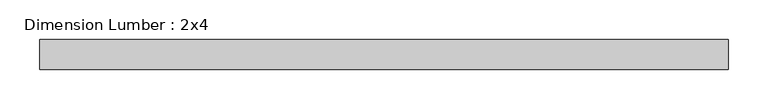
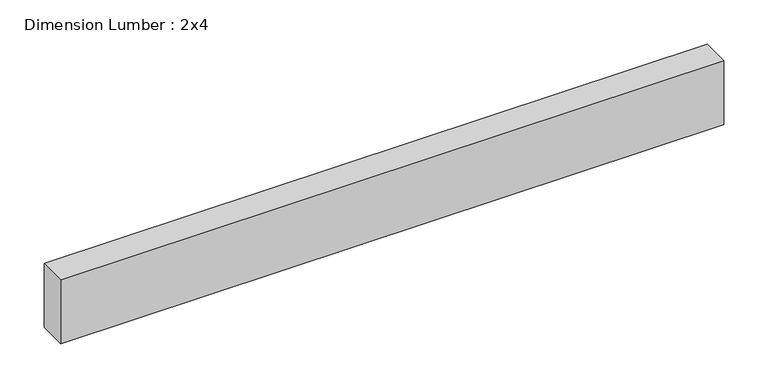
"""IFC4 building model written with IfcOpenShell, lengths in millimetres: beam geometry, Dimension Lumber : 2x4."""

import ifcopenshell
import ifcopenshell.guid

model = None  # the IFC model being written
_history = None  # IfcOwnerHistory: only IFC2X3 demands one
_inside = {}  # id of a spatial element -> (the spatial element, [elements in it])
_under = {}  # id of a project, library or spatial element -> (it, [spatial elements below it])
_declared = {}  # id of a project -> (the project, [libraries it declares])
_typed = {}  # id of a type object -> (the type object, [elements of that type])
_made_of = {}  # id of a material, layer set ... -> (it, [elements and type objects made of it])


def new_model(schema):
    """Start an empty IFC model of exactly this schema.

    Asked for "IFC4X3", IfcOpenShell would pick the latest addendum, in which some entities
    have other attributes; the version numbers below select the first issue.
    IFC2X3 requires an IfcOwnerHistory on every rooted entity: one is made here for all.
    """
    global model, _history
    if schema == "IFC4X3":
        model = ifcopenshell.file(schema_version=(4, 3, 0, 0))
    else:
        model = ifcopenshell.file(schema=schema)
    _inside.clear()
    _under.clear()
    _declared.clear()
    _typed.clear()
    _made_of.clear()
    _history = None
    if model.schema == "IFC2X3":
        org = make("IfcOrganization", Name="unknown")
        user = make(
            "IfcPersonAndOrganization",
            ThePerson=make("IfcPerson", FamilyName="unknown"),
            TheOrganization=org,
        )
        app = make(
            "IfcApplication",
            ApplicationDeveloper=org,
            Version="unknown",
            ApplicationFullName="unknown",
            ApplicationIdentifier="unknown",
        )
        _history = make(
            "IfcOwnerHistory",
            OwningUser=user,
            OwningApplication=app,
            ChangeAction="ADDED",
            CreationDate=0,
        )
    return model


def make(cls, **values):
    """One entity of the class cls with the attributes given. An attribute that is None is left unset."""
    return model.create_entity(
        cls, **{name: value for name, value in values.items() if value is not None}
    )


def rooted(cls, **values):
    """An entity with a GlobalId (a new one), such as an element, a storey or a relation."""
    return make(cls, GlobalId=ifcopenshell.guid.new(), OwnerHistory=_history, **values)


def si_unit(unit_type, name, prefix=None):
    """IfcSIUnit, for example si_unit("LENGTHUNIT", "METRE", prefix="MILLI")."""
    return make("IfcSIUnit", UnitType=unit_type, Prefix=prefix, Name=name)


def assignment(units):
    """IfcUnitAssignment: the units of a project."""
    return None if units is None else make("IfcUnitAssignment", Units=units)


def point(xyz):
    """IfcCartesianPoint."""
    return None if xyz is None else make("IfcCartesianPoint", Coordinates=xyz)


def direction(xyz):
    """IfcDirection."""
    return None if xyz is None else make("IfcDirection", DirectionRatios=xyz)


def frame(location, z_axis=None, x_axis=None):
    """IfcAxis2Placement3D, a coordinate frame: its origin and axes. An axis left out is left unset."""
    return make(
        "IfcAxis2Placement3D",
        Location=point(location),
        Axis=direction(z_axis),
        RefDirection=direction(x_axis),
    )


def origin():
    """The frame at (0, 0, 0) with its axes left unset."""
    return frame((0.0, 0.0, 0.0))


def place(relative_to, where):
    """IfcLocalPlacement: puts the frame where relative to a parent placement (None: the world)."""
    return make(
        "IfcLocalPlacement", PlacementRelTo=relative_to, RelativePlacement=where
    )


def context(
    kind, dimensions, precision=None, world=None, true_north=None, identifier=None
):
    """IfcGeometricRepresentationContext, for example the 3D "Model" context."""
    return make(
        "IfcGeometricRepresentationContext",
        ContextIdentifier=identifier,
        ContextType=kind,
        CoordinateSpaceDimension=dimensions,
        Precision=precision,
        WorldCoordinateSystem=world,
        TrueNorth=true_north,
    )


def project(units=None, contexts=None):
    """IfcProject with its units and contexts."""
    return rooted(
        "IfcProject",
        Name="project",
        RepresentationContexts=contexts,
        UnitsInContext=assignment(units),
    )


def spatial(cls, under=None, at=None, **own):
    """A site, building, storey or space (cls), placed at a placement, below another one or the project."""
    s = rooted(cls, ObjectPlacement=at, **own)
    if under is not None:
        _under.setdefault(under.id(), (under, []))[1].append(s)
    return s


def polyline(points):
    """IfcPolyline through the points."""
    return make("IfcPolyline", Points=[point(p) for p in points])


def outline(outer, holes=None, kind="AREA"):
    """IfcArbitraryClosedProfileDef: a profile drawn as a closed curve; with holes, ...WithVoids."""
    if holes is None:
        return make("IfcArbitraryClosedProfileDef", ProfileType=kind, OuterCurve=outer)
    return make(
        "IfcArbitraryProfileDefWithVoids",
        ProfileType=kind,
        OuterCurve=outer,
        InnerCurves=holes,
    )


def extrude(swept, where, along, depth):
    """IfcExtrudedAreaSolid: the profile swept, set in the frame where, extruded along a direction by depth."""
    return make(
        "IfcExtrudedAreaSolid",
        SweptArea=swept,
        Position=where,
        ExtrudedDirection=direction(along),
        Depth=depth,
    )


def shape(context_of_items, identifier, shape_type, items):
    """IfcShapeRepresentation: the items that make up one representation, for example the "Body"."""
    return make(
        "IfcShapeRepresentation",
        ContextOfItems=context_of_items,
        RepresentationIdentifier=identifier,
        RepresentationType=shape_type,
        Items=items,
    )


def source(mapping_origin, context_of_items, identifier, shape_type, items):
    """IfcRepresentationMap: a shape defined once, which mapped items show again and again."""
    return make(
        "IfcRepresentationMap",
        MappingOrigin=mapping_origin,
        MappedRepresentation=shape(context_of_items, identifier, shape_type, items),
    )


def transform(
    local_origin,
    x_axis=None,
    y_axis=None,
    z_axis=None,
    scale=None,
    scale2=None,
    scale3=None,
    uniform=True,
):
    """IfcCartesianTransformationOperator3D, or its non-uniform kind. x_axis, y_axis, z_axis: its Axis1, 2, 3."""
    if uniform:
        return make(
            "IfcCartesianTransformationOperator3D",
            Axis1=direction(x_axis),
            Axis2=direction(y_axis),
            LocalOrigin=point(local_origin),
            Scale=scale,
            Axis3=direction(z_axis),
        )
    return make(
        "IfcCartesianTransformationOperator3DnonUniform",
        Axis1=direction(x_axis),
        Axis2=direction(y_axis),
        LocalOrigin=point(local_origin),
        Scale=scale,
        Axis3=direction(z_axis),
        Scale2=scale2,
        Scale3=scale3,
    )


def mapped(mapping_source, mapping_target):
    """IfcMappedItem: shows the shape of a source again, moved by a transform."""
    return make(
        "IfcMappedItem", MappingSource=mapping_source, MappingTarget=mapping_target
    )


def made_of(thing, what):
    """Note that an element or type object is made of a material, layer set ...; save() writes the relation."""
    if what is not None:
        _made_of.setdefault(what.id(), (what, []))[1].append(thing)
    return thing


def element(
    cls,
    number,
    at=None,
    inside=None,
    cuts=None,
    type_object=None,
    material=None,
    context=None,
    identifier="Body",
    shape_type=None,
    held_by="IfcProductDefinitionShape",
    body=None,
    shapes=None,
    **own,
):
    """One element of the class cls, such as IfcWall. Its Tag is "e" and its number.

    at: its placement. inside: the storey or other place that contains it. cuts: it is an
    opening in that element (IfcRelVoidsElement). A single representation is given by context,
    identifier, shape_type and body (its items); several are given by shapes. held_by: the class
    of the entity that holds the representations. save() writes the other relations.
    """
    e = rooted(cls, Tag="e%d" % number, ObjectPlacement=at, **own)
    if body is not None:
        shapes = [shape(context, identifier, shape_type, body)]
    if shapes is not None:
        e.Representation = make(held_by, Representations=shapes)
    if inside is not None:
        _inside.setdefault(inside.id(), (inside, []))[1].append(e)
    if cuts is not None:
        rooted(
            "IfcRelVoidsElement", RelatingBuildingElement=cuts, RelatedOpeningElement=e
        )
    if type_object is not None:
        _typed.setdefault(type_object.id(), (type_object, []))[1].append(e)
    return made_of(e, material)


def aggregate(whole, parts):
    """IfcRelAggregates: a whole, such as a stair, and the parts it consists of."""
    return rooted("IfcRelAggregates", RelatingObject=whole, RelatedObjects=parts)


def save(model, path):
    """Write the relations noted so far, then the file.

    IfcRelAggregates (storeys below a building ...), IfcRelContainedInSpatialStructure (elements
    in a storey), IfcRelDefinesByType, IfcRelAssociatesMaterial and IfcRelDeclares: one each for
    every whole, place, type object, material and project.
    """
    for whole, parts in _under.values():
        aggregate(whole, parts)
    for where, things in _inside.values():
        rooted(
            "IfcRelContainedInSpatialStructure",
            RelatedElements=things,
            RelatingStructure=where,
        )
    for kind, things in _typed.values():
        rooted("IfcRelDefinesByType", RelatedObjects=things, RelatingType=kind)
    for what, things in _made_of.values():
        rooted("IfcRelAssociatesMaterial", RelatedObjects=things, RelatingMaterial=what)
    for by, libraries in _declared.values():
        rooted("IfcRelDeclares", RelatingContext=by, RelatedDefinitions=libraries)
    model.write(path)


def dimension_lumber_2x4_607920c4(model_context):
    return source(origin(), model_context, "Body", "SweptSolid", [
        extrude(outline(polyline([(426.9441314, 19.05), (426.9441314, -19.05), (-442.4771185, -19.05), (-442.4771185, 19.05), (426.9441314, 19.05)])), frame((0.0, 0.0, -44.45), z_axis=(0.0, 0.0, 1.0), x_axis=(1.0, 0.0, 0.0)), (0.0, 0.0, 1.0), 88.9),
    ])


if __name__ == "__main__":
    model = new_model("IFC4")
    model_context = context("Model", 3, world=origin())
    ifc_project = project(units=[si_unit("LENGTHUNIT", "METRE", prefix="MILLI")], contexts=[model_context])
    site = spatial("IfcSite", under=ifc_project)
    building = spatial("IfcBuilding", under=site)
    placement = place(None, origin())
    dimension_lumber_2x4_shape = dimension_lumber_2x4_607920c4(model_context)
    element("IfcBeam", 1, ObjectType="Dimension Lumber : 2x4", at=placement, inside=building, context=model_context, shape_type="MappedRepresentation", body=[
        mapped(dimension_lumber_2x4_shape, transform((0.0, 0.0, 0.0), x_axis=(1.0, 0.0, 0.0), y_axis=(0.0, 1.0, 0.0), z_axis=(0.0, 0.0, 1.0))),
    ])
    save(model, "model.ifc")
